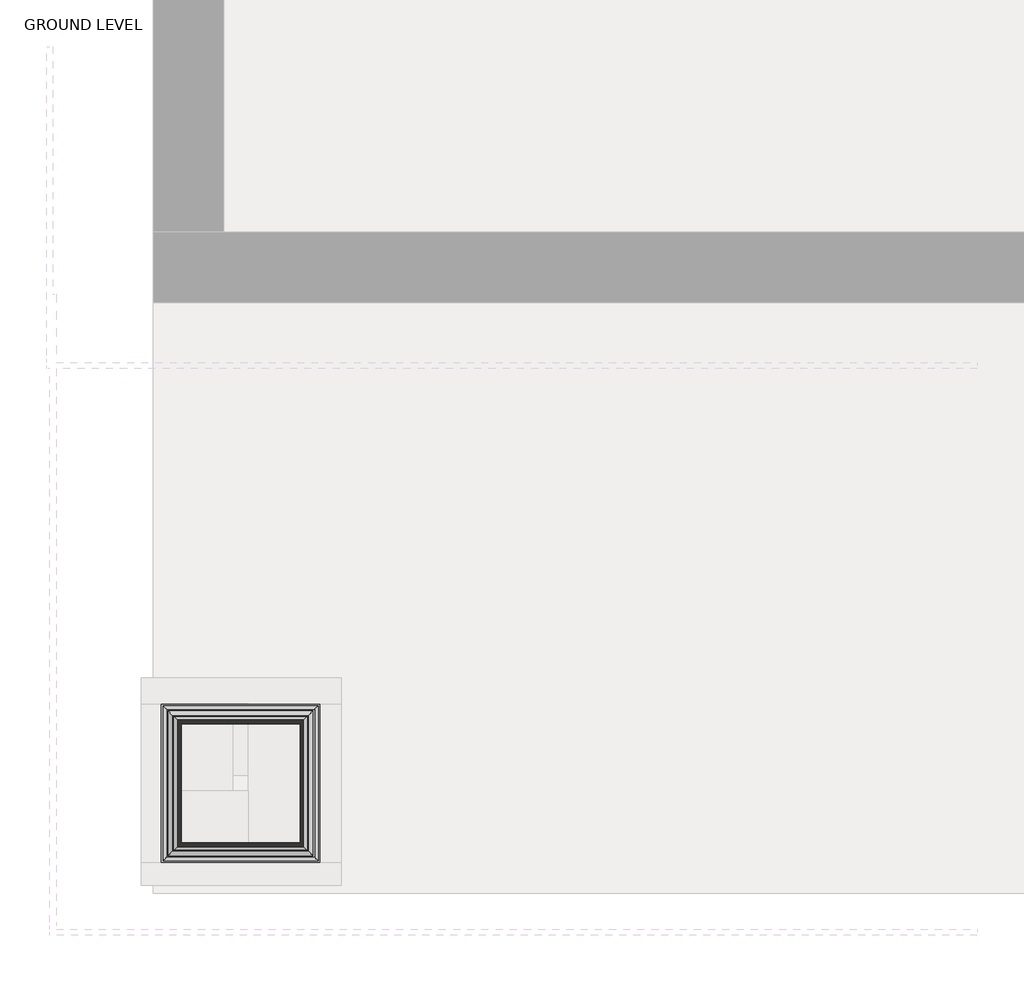
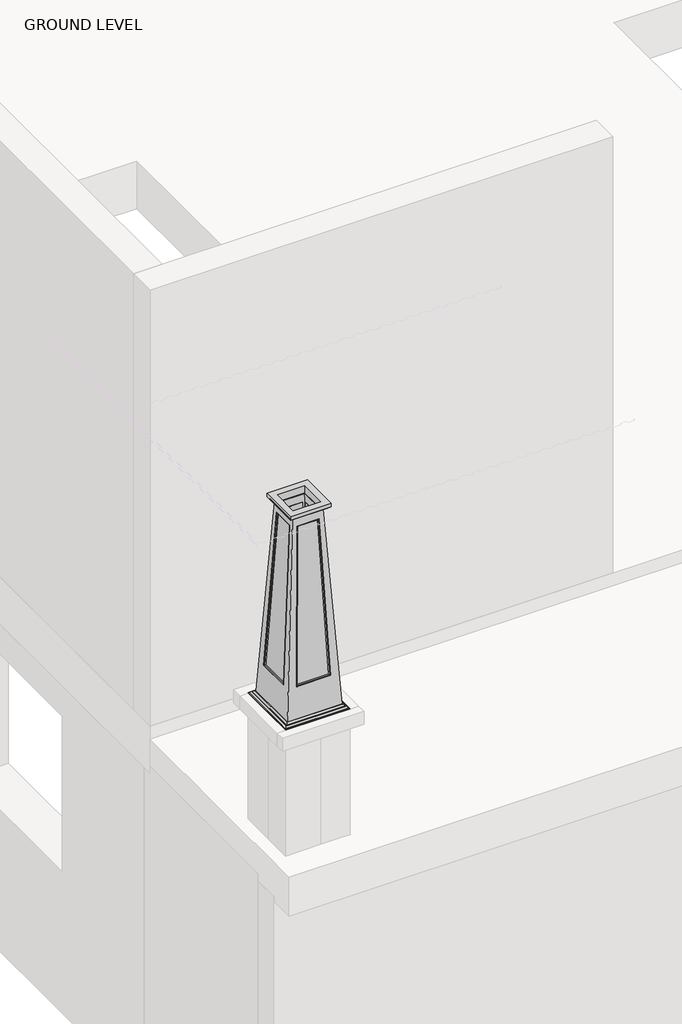
# One storey, part 4 of 7: 1 column.
"""IFC4 building model written with IfcOpenShell, lengths in millimetres."""

from ifc_helpers import new_model, si_unit, frame, origin, place, context, project, spatial, polyline, ellipse_curve, faceted_brep, element, save
from ifc_brep_helpers import plane_surface, cylinder_surface, revolved_surface, advanced_brep

model = new_model("IFC4")

# Units and contexts
model_context = context("Model", 3, world=origin())
ifc_project = project(units=[si_unit("LENGTHUNIT", "METRE", prefix="MILLI")], contexts=[model_context])

# Site, building, storey
site = spatial("IfcSite", under=ifc_project)
building = spatial("IfcBuilding", under=site)
storey = spatial("IfcBuildingStorey", under=building, Name="GROUND LEVEL", Elevation=0.0)

# Column
placement = place(None, origin())
element("IfcColumn", 1, at=placement, inside=storey, context=model_context, shape_type="SolidModel", body=[
    advanced_brep(
    [(278.8272599, -6584.8408634, 994.2259064), (-202.1852401, -6584.8408634, 994.2259064), (-202.1852401, -6584.8408634, 990.6), (61.3397599, -6584.8408634, 990.6), (278.8272599, -6584.8408634, 990.6), (-197.3476106, -6580.0032339, 999.3180729), (-197.3476106, -6580.0032339, 994.2259064), (273.9896304, -6580.0032339, 994.2259064), (273.9896304, -6580.0032339, 999.3180729), (263.2958993, -6569.3095028, 1007.7203226), (-186.6538795, -6569.3095028, 1007.7203226), (-181.5616482, -6564.2172714, 1010.55953), (-181.5616482, -6564.2172714, 1007.7203226), (258.203668, -6564.2172714, 1007.7203226), (258.203668, -6564.2172714, 1010.55953), (245.2184231, -6551.2320265, 1020.960137), (-168.5764032, -6551.2320265, 1020.960137), (278.8272599, -6103.8283634, 994.2259064), (278.8272599, -6103.8283634, 990.6), (273.9896304, -6108.6659928, 994.2259064), (273.9896304, -6108.6659928, 999.3180729), (263.2958993, -6119.359724, 1007.7203226), (258.203668, -6124.4519553, 1007.7203226), (258.203668, -6124.4519553, 1010.55953), (245.2184231, -6137.4372002, 1020.960137), (-202.1852401, -6103.8283634, 994.2259064), (61.3397599, -6103.8283634, 990.6), (15.3022599, -6103.8283634, 990.6), (-202.1852401, -6103.8283634, 990.6), (-197.3476106, -6108.6659928, 994.2259064), (-197.3476106, -6108.6659928, 999.3180729), (-186.6538795, -6119.359724, 1007.7203226), (-181.5616482, -6124.4519553, 1007.7203226), (-181.5616482, -6124.4519553, 1010.55953), (-168.5764032, -6137.4372002, 1020.960137), (-202.1852401, -6367.3533634, 990.6), (-152.1789901, -6534.8346134, 1020.960137), (228.8210099, -6534.8346134, 1020.960137), (228.8210099, -6534.8346134, 990.6), (61.3397599, -6534.8346134, 990.6), (-152.1789901, -6534.8346134, 990.6), (228.8210099, -6153.8346134, 1020.960137), (228.8210099, -6153.8346134, 990.6), (-152.1789901, -6153.8346134, 1020.960137), (-152.1789901, -6153.8346134, 990.6), (15.3022599, -6153.8346134, 990.6), (61.3397599, -6153.8346134, 990.6), (-152.1789901, -6367.3533634, 990.6)],
    [
        (0, 1),
        (1, 2),
        (2, 3),
        (3, 4),
        (4, 0),
        (5, 6),
        (6, 7),
        (7, 8),
        (8, 5),
        (8, 9, ellipse_curve(frame((274.838947, -6580.8525504, 1011.4052173), z_axis=(0.7071067811865475, 0.7071067811865475, 0.0), x_axis=(0.7071067811865476, -0.7071067811865474, 0.0)), 17.1359504, 12.1169467)),
        (9, 10),
        (10, 5, ellipse_curve(frame((-198.1969271, -6580.8525504, 1011.4052173), z_axis=(-0.7071067811865475, 0.7071067811865475, 0.0), x_axis=(0.7071067811865476, 0.7071067811865474, 0.0)), 17.1359504, 12.1169467)),
        (11, 12),
        (12, 13),
        (13, 14),
        (14, 11),
        (14, 15, ellipse_curve(frame((240.0466395, -6546.060243, 1001.196725), z_axis=(-0.7071067811865475, -0.7071067811865475, 0.0), x_axis=(-0.7071067811865476, 0.7071067811865474, 0.0)), 28.8908221, 20.4288962)),
        (15, 16),
        (16, 11, ellipse_curve(frame((-163.4046197, -6546.060243, 1001.196725), z_axis=(0.7071067811865475, -0.7071067811865475, 0.0), x_axis=(-0.7071067811865476, -0.7071067811865474, 0.0)), 28.8908221, 20.4288962)),
        (17, 0),
        (4, 18),
        (18, 17),
        (7, 19),
        (19, 20),
        (20, 8),
        (20, 21, ellipse_curve(frame((274.838947, -6107.8166763, 1011.4052173), z_axis=(-0.7071067811865475, 0.7071067811865475, 0.0), x_axis=(0.7071067811865474, 0.7071067811865476, 0.0)), 17.1359504, 12.1169467)),
        (21, 9),
        (13, 22),
        (22, 23),
        (23, 14),
        (23, 24, ellipse_curve(frame((240.0466395, -6142.6089838, 1001.196725), z_axis=(0.7071067811865475, -0.7071067811865475, 0.0), x_axis=(-0.7071067811865474, -0.7071067811865476, 0.0)), 28.8908221, 20.4288962)),
        (24, 15),
        (25, 17),
        (18, 26),
        (26, 27),
        (27, 28),
        (28, 25),
        (19, 29),
        (29, 30),
        (30, 20),
        (30, 31, ellipse_curve(frame((-198.1969271, -6107.8166763, 1011.4052173), z_axis=(-0.7071067811865475, -0.7071067811865475, 0.0), x_axis=(-0.7071067811865476, 0.7071067811865474, 0.0)), 17.1359504, 12.1169467)),
        (31, 21),
        (22, 32),
        (32, 33),
        (33, 23),
        (33, 34, ellipse_curve(frame((-163.4046197, -6142.6089838, 1001.196725), z_axis=(0.7071067811865475, 0.7071067811865475, 0.0), x_axis=(0.7071067811865476, -0.7071067811865474, 0.0)), 28.8908221, 20.4288962)),
        (34, 24),
        (1, 25),
        (28, 35),
        (35, 2),
        (6, 29),
        (5, 30),
        (10, 31),
        (12, 32),
        (11, 33),
        (16, 34),
        (36, 37),
        (37, 38),
        (38, 39),
        (39, 40),
        (40, 36),
        (37, 41),
        (41, 42),
        (42, 38),
        (41, 43),
        (43, 44),
        (44, 45),
        (45, 46),
        (46, 42),
        (36, 43),
        (40, 47),
        (47, 44),
        (3, 39),
        (46, 26),
        (35, 47),
        (27, 45),
    ],
    [
        plane_surface(frame((-202.1852401, -6584.8408634, 965.2), z_axis=(0.0, -1.0, 0.0), x_axis=(1.0, 0.0, 0.0))),
        plane_surface(frame((-197.3476106, -6580.0032339, 994.2259064), z_axis=(0.0, -1.0, 0.0), x_axis=(1.0, 0.0, 0.0))),
        revolved_surface(polyline([(286.9558937299164, -6568.7356037, 1011.4052173), (-210.31387382991636, -6568.7356037, 1011.4052173)]), (-168.5764032, -6580.8525504, 1011.4052173), (1.0, 0.0, 0.0)),
        plane_surface(frame((-181.5616482, -6564.2172714, 1007.7203226), z_axis=(0.0, -1.0, 0.0), x_axis=(1.0, 0.0, 0.0))),
        cylinder_surface(frame((-168.5764032, -6546.060243, 1001.196725), z_axis=(-1.0, 0.0, 0.0), x_axis=(0.0, 1.0, 0.0)), 20.4288962),
        plane_surface(frame((278.8272599, -6584.8408634, 965.2), z_axis=(1.0, 0.0, 0.0), x_axis=(0.0, 1.0, 0.0))),
        plane_surface(frame((273.9896304, -6580.0032339, 994.2259064), z_axis=(1.0, 0.0, 0.0), x_axis=(0.0, 1.0, 0.0))),
        revolved_surface(polyline([(262.7220003, -6095.699729570084, 1011.4052173), (262.7220003, -6592.969497129916, 1011.4052173)]), (274.838947, -6551.2320265, 1011.4052173), (0.0, 1.0, 0.0)),
        plane_surface(frame((258.203668, -6564.2172714, 1007.7203226), z_axis=(1.0, 0.0, 0.0), x_axis=(0.0, 1.0, 0.0))),
        cylinder_surface(frame((240.0466395, -6551.2320265, 1001.196725), z_axis=(0.0, -1.0, 0.0), x_axis=(-1.0, 0.0, 0.0)), 20.4288962),
        plane_surface(frame((278.8272599, -6103.8283634, 965.2), z_axis=(0.0, 1.0, 0.0), x_axis=(-1.0, 0.0, 0.0))),
        plane_surface(frame((273.9896304, -6108.6659928, 994.2259064), z_axis=(0.0, 1.0, 0.0), x_axis=(-1.0, 0.0, 0.0))),
        revolved_surface(polyline([(-210.31387382991636, -6119.933623, 1011.4052173), (286.95589372991634, -6119.933623, 1011.4052173)]), (245.2184231, -6107.8166763, 1011.4052173), (-1.0, 0.0, 0.0)),
        plane_surface(frame((258.203668, -6124.4519553, 1007.7203226), z_axis=(0.0, 1.0, 0.0), x_axis=(-1.0, 0.0, 0.0))),
        cylinder_surface(frame((245.2184231, -6142.6089838, 1001.196725), z_axis=(1.0, 0.0, 0.0), x_axis=(0.0, -1.0, 0.0)), 20.4288962),
        plane_surface(frame((-202.1852401, -6103.8283634, 965.2), z_axis=(-1.0, 0.0, 0.0), x_axis=(0.0, -1.0, 0.0))),
        plane_surface(frame((-202.1852401, -6103.8283634, 994.2259064), z_axis=(0.0, 0.0, 1.0), x_axis=(0.0, -1.0, 0.0))),
        plane_surface(frame((-197.3476106, -6108.6659928, 994.2259064), z_axis=(-1.0, 0.0, 0.0), x_axis=(0.0, -1.0, 0.0))),
        revolved_surface(polyline([(-186.0799804, -6592.969497129916, 1011.4052173), (-186.0799804, -6095.699729570084, 1011.4052173)]), (-198.1969271, -6137.4372002, 1011.4052173), (0.0, -1.0, 0.0)),
        plane_surface(frame((-186.6538795, -6119.359724, 1007.7203226), z_axis=(0.0, 0.0, 1.0), x_axis=(0.0, -1.0, 0.0))),
        plane_surface(frame((-181.5616482, -6124.4519553, 1007.7203226), z_axis=(-1.0, 0.0, 0.0), x_axis=(0.0, -1.0, 0.0))),
        cylinder_surface(frame((-163.4046197, -6137.4372002, 1001.196725), z_axis=(0.0, 1.0, 0.0), x_axis=(1.0, 0.0, 0.0)), 20.4288962),
        plane_surface(frame((-152.1789901, -6534.8346134, 1020.960137), z_axis=(0.0, 1.0, 0.0), x_axis=(1.0, 0.0, 0.0))),
        plane_surface(frame((228.8210099, -6534.8346134, 1020.960137), z_axis=(-1.0, 0.0, 0.0), x_axis=(0.0, 1.0, 0.0))),
        plane_surface(frame((228.8210099, -6153.8346134, 1020.960137), z_axis=(0.0, -1.0, 0.0), x_axis=(-1.0, 0.0, 0.0))),
        plane_surface(frame((-168.5764032, -6137.4372002, 1020.960137), z_axis=(0.0, 0.0, 1.0), x_axis=(0.0, -1.0, 0.0))),
        plane_surface(frame((-152.1789901, -6153.8346134, 1020.960137), z_axis=(1.0, 0.0, 0.0), x_axis=(0.0, -1.0, 0.0))),
        plane_surface(frame((61.3397599, -6476.0971134, 990.6), z_axis=(0.0, 0.0, -1.0), x_axis=(1.0, 0.0, 0.0))),
        plane_surface(frame((-93.4414901, -6367.3533634, 990.6), z_axis=(0.0, 0.0, -1.0), x_axis=(0.0, -1.0, 0.0))),
        plane_surface(frame((15.3022599, -6211.3440959, 990.6), z_axis=(0.0, 0.0, -1.0), x_axis=(-1.0, 0.0, 0.0))),
        plane_surface(frame((169.7246216, -6320.9569731, 990.6), z_axis=(0.0, 0.0, -1.0), x_axis=(0.003300312059210714, 0.9999945539553262, 0.0))),
    ],
    [
        (0, [[1, 2, 3, 4, 5]]),
        (1, [[6, 7, 8, 9]]),
        (2, [[-9, 10, 11, 12]]),
        (3, [[13, 14, 15, 16]]),
        (4, [[-16, 17, 18, 19]]),
        (5, [[20, -5, 21, 22]]),
        (6, [[-8, 23, 24, 25]]),
        (7, [[-10, -25, 26, 27]]),
        (8, [[-15, 28, 29, 30]]),
        (9, [[-17, -30, 31, 32]]),
        (10, [[33, -22, 34, 35, 36, 37]]),
        (11, [[-24, 38, 39, 40]]),
        (12, [[-26, -40, 41, 42]]),
        (13, [[-29, 43, 44, 45]]),
        (14, [[-31, -45, 46, 47]]),
        (15, [[48, -37, 49, 50, -2]]),
        (16, [[-1, -20, -33, -48], [-7, 51, -38, -23]]),
        (17, [[-6, 52, -39, -51]]),
        (18, [[-12, 53, -41, -52]]),
        (19, [[-11, -27, -42, -53], [-14, 54, -43, -28]]),
        (20, [[-13, 55, -44, -54]]),
        (21, [[-19, 56, -46, -55]]),
        (22, [[57, 58, 59, 60, 61]]),
        (23, [[62, 63, 64, -58]]),
        (24, [[65, 66, 67, 68, 69, -63]]),
        (25, [[-18, -32, -47, -56], [-57, 70, -65, -62]]),
        (26, [[-70, -61, 71, 72, -66]]),
        (27, [[-4, 73, -59, -64, -69, 74, -34, -21]]),
        (28, [[-3, -50, 75, -71, -60, -73]]),
        (29, [[-36, 76, -67, -72, -75, -49]]),
        (30, [[-35, -74, -68, -76]]),
    ],
),
    advanced_brep(
    [(-92.6616482, -6475.3172714, 2545.44047), (-79.6764032, -6462.3320265, 2535.039863), (156.3184231, -6462.3320265, 2535.039863), (169.303668, -6475.3172714, 2545.44047), (-92.6616482, -6475.3172714, 2548.2796774), (169.303668, -6475.3172714, 2548.2796774), (-108.4476106, -6491.1032339, 2556.6819271), (-97.7538795, -6480.4095028, 2548.2796774), (174.3958993, -6480.4095028, 2548.2796774), (185.0896304, -6491.1032339, 2556.6819271), (-108.4476106, -6491.1032339, 2561.7740936), (185.0896304, -6491.1032339, 2561.7740936), (-113.2852401, -6495.9408634, 2590.8), (-113.2852401, -6495.9408634, 2561.7740936), (189.9272599, -6495.9408634, 2561.7740936), (189.9272599, -6495.9408634, 2590.8), (156.3184231, -6226.3372002, 2535.039863), (169.303668, -6213.3519553, 2545.44047), (169.303668, -6213.3519553, 2548.2796774), (174.3958993, -6208.259724, 2548.2796774), (185.0896304, -6197.5659928, 2556.6819271), (185.0896304, -6197.5659928, 2561.7740936), (189.9272599, -6192.7283634, 2561.7740936), (189.9272599, -6192.7283634, 2590.8), (-79.6764032, -6226.3372002, 2535.039863), (-92.6616482, -6213.3519553, 2545.44047), (-92.6616482, -6213.3519553, 2548.2796774), (-97.7538795, -6208.259724, 2548.2796774), (-108.4476106, -6197.5659928, 2556.6819271), (-108.4476106, -6197.5659928, 2561.7740936), (-113.2852401, -6192.7283634, 2561.7740936), (-113.2852401, -6192.7283634, 2590.8), (-63.5336276, -6446.1892509, 2590.8), (-63.5336276, -6242.4799758, 2590.8), (140.1756475, -6242.4799758, 2590.8), (140.1756475, -6446.1892509, 2590.8), (-63.5336276, -6446.1892509, 2535.039863), (140.1756475, -6446.1892509, 2535.039863), (140.1756475, -6242.4799758, 2535.039863), (-63.5336276, -6242.4799758, 2535.039863)],
    [
        (0, 1, ellipse_curve(frame((-71.3296197, -6453.985243, 2558.767289), z_axis=(0.7071067811865475, -0.7071067811865475, 0.0), x_axis=(-0.7071067811865476, -0.7071067811865474, 0.0)), 35.5713239, 25.1527244)),
        (1, 2),
        (2, 3, ellipse_curve(frame((147.9716395, -6453.985243, 2558.767289), z_axis=(-0.7071067811865475, -0.7071067811865475, 0.0), x_axis=(-0.7071067811865476, 0.7071067811865474, 0.0)), 35.5713239, 25.1527244)),
        (3, 0),
        (4, 0),
        (3, 5),
        (5, 4),
        (6, 7, ellipse_curve(frame((-109.2969271, -6491.9525504, 2544.5947827), z_axis=(-0.7071067811865475, 0.7071067811865475, 0.0), x_axis=(0.7071067811865476, 0.7071067811865474, 0.0)), 17.1359504, 12.1169467)),
        (7, 8),
        (8, 9, ellipse_curve(frame((185.938947, -6491.9525504, 2544.5947827), z_axis=(0.7071067811865475, 0.7071067811865475, 0.0), x_axis=(0.7071067811865476, -0.7071067811865474, 0.0)), 17.1359504, 12.1169467)),
        (9, 6),
        (10, 6),
        (9, 11),
        (11, 10),
        (12, 13),
        (13, 14),
        (14, 15),
        (15, 12),
        (2, 16),
        (16, 17, ellipse_curve(frame((147.9716395, -6234.6839838, 2558.767289), z_axis=(0.7071067811865475, -0.7071067811865475, 0.0), x_axis=(-0.7071067811865474, -0.7071067811865476, 0.0)), 35.5713239, 25.1527244)),
        (17, 3),
        (17, 18),
        (18, 5),
        (8, 19),
        (19, 20, ellipse_curve(frame((185.938947, -6196.7166763, 2544.5947827), z_axis=(-0.7071067811865475, 0.7071067811865475, 0.0), x_axis=(0.7071067811865474, 0.7071067811865476, 0.0)), 17.1359504, 12.1169467)),
        (20, 9),
        (20, 21),
        (21, 11),
        (14, 22),
        (22, 23),
        (23, 15),
        (16, 24),
        (24, 25, ellipse_curve(frame((-71.3296197, -6234.6839838, 2558.767289), z_axis=(0.7071067811865475, 0.7071067811865475, 0.0), x_axis=(0.7071067811865476, -0.7071067811865474, 0.0)), 35.5713239, 25.1527244)),
        (25, 17),
        (25, 26),
        (26, 18),
        (19, 27),
        (27, 28, ellipse_curve(frame((-109.2969271, -6196.7166763, 2544.5947827), z_axis=(-0.7071067811865475, -0.7071067811865475, 0.0), x_axis=(-0.7071067811865476, 0.7071067811865474, 0.0)), 17.1359504, 12.1169467)),
        (28, 20),
        (28, 29),
        (29, 21),
        (22, 30),
        (30, 31),
        (31, 23),
        (24, 1),
        (0, 25),
        (4, 26),
        (7, 27),
        (6, 28),
        (10, 29),
        (13, 30),
        (12, 31),
        (32, 33),
        (33, 34),
        (34, 35),
        (35, 32),
        (36, 32),
        (35, 37),
        (37, 36),
        (34, 38),
        (38, 37),
        (33, 39),
        (39, 38),
        (36, 39),
    ],
    [
        cylinder_surface(frame((-79.6764032, -6453.985243, 2558.767289), z_axis=(-1.0, 0.0, 0.0), x_axis=(0.0, 1.0, 0.0)), 25.1527244),
        plane_surface(frame((-92.6616482, -6475.3172714, 2545.44047), z_axis=(0.0, -1.0, 0.0), x_axis=(1.0, 0.0, 0.0))),
        revolved_surface(polyline([(198.05589372991636, -6479.8356037, 2544.5947827), (-121.41387382991634, -6479.8356037, 2544.5947827)]), (-79.6764032, -6491.9525504, 2544.5947827), (1.0, 0.0, 0.0)),
        plane_surface(frame((-108.4476106, -6491.1032339, 2556.6819271), z_axis=(0.0, -1.0, 0.0), x_axis=(1.0, 0.0, 0.0))),
        plane_surface(frame((-113.2852401, -6495.9408634, 2561.7740936), z_axis=(0.0, -1.0, 0.0), x_axis=(1.0, 0.0, 0.0))),
        cylinder_surface(frame((147.9716395, -6462.3320265, 2558.767289), z_axis=(0.0, -1.0, 0.0), x_axis=(-1.0, 0.0, 0.0)), 25.1527244),
        plane_surface(frame((169.303668, -6475.3172714, 2545.44047), z_axis=(1.0, 0.0, 0.0), x_axis=(0.0, 1.0, 0.0))),
        revolved_surface(polyline([(173.8220003, -6184.599729570084, 2544.5947827), (173.8220003, -6504.069497129916, 2544.5947827)]), (185.938947, -6462.3320265, 2544.5947827), (0.0, 1.0, 0.0)),
        plane_surface(frame((185.0896304, -6491.1032339, 2556.6819271), z_axis=(1.0, 0.0, 0.0), x_axis=(0.0, 1.0, 0.0))),
        plane_surface(frame((189.9272599, -6495.9408634, 2561.7740936), z_axis=(1.0, 0.0, 0.0), x_axis=(0.0, 1.0, 0.0))),
        cylinder_surface(frame((156.3184231, -6234.6839838, 2558.767289), z_axis=(1.0, 0.0, 0.0), x_axis=(0.0, -1.0, 0.0)), 25.1527244),
        plane_surface(frame((169.303668, -6213.3519553, 2545.44047), z_axis=(0.0, 1.0, 0.0), x_axis=(-1.0, 0.0, 0.0))),
        revolved_surface(polyline([(-121.4138738299163, -6208.8336229999995, 2544.5947827), (198.05589372991633, -6208.8336229999995, 2544.5947827)]), (156.3184231, -6196.7166763, 2544.5947827), (-1.0, 0.0, 0.0)),
        plane_surface(frame((185.0896304, -6197.5659928, 2556.6819271), z_axis=(0.0, 1.0, 0.0), x_axis=(-1.0, 0.0, 0.0))),
        plane_surface(frame((189.9272599, -6192.7283634, 2561.7740936), z_axis=(0.0, 1.0, 0.0), x_axis=(-1.0, 0.0, 0.0))),
        cylinder_surface(frame((-71.3296197, -6226.3372002, 2558.767289), z_axis=(0.0, 1.0, 0.0), x_axis=(1.0, 0.0, 0.0)), 25.1527244),
        plane_surface(frame((-92.6616482, -6213.3519553, 2545.44047), z_axis=(-1.0, 0.0, 0.0), x_axis=(0.0, -1.0, 0.0))),
        plane_surface(frame((-92.6616482, -6213.3519553, 2548.2796774), z_axis=(0.0, 0.0, -1.0), x_axis=(0.0, -1.0, 0.0))),
        revolved_surface(polyline([(-97.1799804, -6504.069497129916, 2544.5947827), (-97.1799804, -6184.599729570084, 2544.5947827)]), (-109.2969271, -6226.3372002, 2544.5947827), (0.0, -1.0, 0.0)),
        plane_surface(frame((-108.4476106, -6197.5659928, 2556.6819271), z_axis=(-1.0, 0.0, 0.0), x_axis=(0.0, -1.0, 0.0))),
        plane_surface(frame((-108.4476106, -6197.5659928, 2561.7740936), z_axis=(0.0, 0.0, -1.0), x_axis=(0.0, -1.0, 0.0))),
        plane_surface(frame((-113.2852401, -6192.7283634, 2561.7740936), z_axis=(-1.0, 0.0, 0.0), x_axis=(0.0, -1.0, 0.0))),
        plane_surface(frame((-113.2852401, -6192.7283634, 2590.8), z_axis=(0.0, 0.0, 1.0), x_axis=(0.0, -1.0, 0.0))),
        plane_surface(frame((-63.5336276, -6446.1892509, 2590.8), z_axis=(0.0, 1.0, 0.0), x_axis=(1.0, 0.0, 0.0))),
        plane_surface(frame((140.1756475, -6446.1892509, 2590.8), z_axis=(-1.0, 0.0, 0.0), x_axis=(0.0, 1.0, 0.0))),
        plane_surface(frame((140.1756475, -6242.4799758, 2590.8), z_axis=(0.0, -1.0, 0.0), x_axis=(-1.0, 0.0, 0.0))),
        plane_surface(frame((-63.5336276, -6242.4799758, 2590.8), z_axis=(1.0, 0.0, 0.0), x_axis=(0.0, -1.0, 0.0))),
        plane_surface(frame((-63.5336276, -6242.4799758, 2535.039863), z_axis=(0.0, 0.0, -1.0), x_axis=(0.0, -1.0, 0.0))),
    ],
    [
        (0, [[1, 2, 3, 4]]),
        (1, [[5, -4, 6, 7]]),
        (2, [[8, 9, 10, 11]]),
        (3, [[12, -11, 13, 14]]),
        (4, [[15, 16, 17, 18]]),
        (5, [[-3, 19, 20, 21]]),
        (6, [[-6, -21, 22, 23]]),
        (7, [[-10, 24, 25, 26]]),
        (8, [[-13, -26, 27, 28]]),
        (9, [[-17, 29, 30, 31]]),
        (10, [[-20, 32, 33, 34]]),
        (11, [[-22, -34, 35, 36]]),
        (12, [[-25, 37, 38, 39]]),
        (13, [[-27, -39, 40, 41]]),
        (14, [[-30, 42, 43, 44]]),
        (15, [[-33, 45, -1, 46]]),
        (16, [[-35, -46, -5, 47]]),
        (17, [[48, -37, -24, -9], [-23, -36, -47, -7]]),
        (18, [[-38, -48, -8, 49]]),
        (19, [[-40, -49, -12, 50]]),
        (20, [[51, -42, -29, -16], [-28, -41, -50, -14]]),
        (21, [[-43, -51, -15, 52]]),
        (22, [[-31, -44, -52, -18], [53, 54, 55, 56]]),
        (23, [[57, -56, 58, 59]]),
        (24, [[-58, -55, 60, 61]]),
        (25, [[-60, -54, 62, 63]]),
        (26, [[-62, -53, -57, 64]]),
        (27, [[-45, -32, -19, -2], [-61, -63, -64, -59]]),
    ],
),
    faceted_brep([(152.6210099, -6230.0346134, 2535.2375), (-75.9789901, -6230.0346134, 2535.2375), (-75.9789901, -6458.6346134, 2535.2375), (152.6210099, -6458.6346134, 2535.2375), (-58.5164901, -6247.4971134, 2535.2375), (135.1585099, -6247.4971134, 2535.2375), (135.1585099, -6441.1721134, 2535.2375), (-58.5164901, -6441.1721134, 2535.2375), (241.5210099, -6141.1346134, 1020.7625), (241.5210099, -6547.5346134, 1020.7625), (-164.8789901, -6547.5346134, 1020.7625), (-164.8789901, -6141.1346134, 1020.7625), (228.8210099, -6153.8346134, 1020.7625), (-152.1789901, -6153.8346134, 1020.7625), (-152.1789901, -6534.8346134, 1020.7625), (228.8210099, -6534.8346134, 1020.7625), (165.3210099, -6155.3921605, 1263.65), (120.8710099, -6226.2139635, 2470.15), (-44.2289901, -6226.2139635, 2470.15), (-88.6789901, -6155.3921605, 1263.65), (-150.6214429, -6217.3346134, 1263.65), (-79.79964, -6261.7846134, 2470.15), (-79.79964, -6426.8846134, 2470.15), (-150.6214429, -6471.3346134, 1263.65), (120.8710099, -6462.4552633, 2470.15), (165.3210099, -6533.2770662, 1263.65), (-88.6789901, -6533.2770662, 1263.65), (-44.2289901, -6462.4552633, 2470.15), (156.4416598, -6261.7846134, 2470.15), (227.2634627, -6217.3346134, 1263.65), (227.2634627, -6471.3346134, 1263.65), (156.4416598, -6426.8846134, 2470.15), (120.8710099, -6243.4717858, 2470.15), (165.3210099, -6168.8559577, 1263.65), (-88.6789901, -6168.8559577, 1263.65), (-44.2289901, -6243.4717858, 2470.15), (-62.5418176, -6261.7846134, 2470.15), (-137.1576457, -6217.3346134, 1263.65), (-137.1576457, -6471.3346134, 1263.65), (-62.5418176, -6426.8846134, 2470.15), (165.3210099, -6519.813269, 1263.65), (120.8710099, -6445.1974409, 2470.15), (-44.2289901, -6445.1974409, 2470.15), (-88.6789901, -6519.813269, 1263.65), (213.7996656, -6217.3346134, 1263.65), (139.1838375, -6261.7846134, 2470.15), (139.1838375, -6426.8846134, 2470.15), (213.7996656, -6471.3346134, 1263.65)], [[[0, 1, 2, 3], [4, 5, 6, 7]], [[8, 9, 10, 11], [12, 13, 14, 15]], [[1, 0, 8, 11], [16, 17, 18, 19]], [[2, 1, 11, 10], [20, 21, 22, 23]], [[3, 2, 10, 9], [24, 25, 26, 27]], [[0, 3, 9, 8], [28, 29, 30, 31]], [[12, 5, 4, 13], [32, 33, 34, 35]], [[13, 4, 7, 14], [36, 37, 38, 39]], [[14, 7, 6, 15], [40, 41, 42, 43]], [[5, 12, 15, 6], [44, 45, 46, 47]], [[16, 33, 32, 17]], [[40, 25, 24, 41]], [[17, 32, 35, 18]], [[41, 24, 27, 42]], [[18, 35, 34, 19]], [[42, 27, 26, 43]], [[33, 16, 19, 34]], [[25, 40, 43, 26]], [[20, 37, 36, 21]], [[44, 29, 28, 45]], [[21, 36, 39, 22]], [[45, 28, 31, 46]], [[22, 39, 38, 23]], [[46, 31, 30, 47]], [[37, 20, 23, 38]], [[29, 44, 47, 30]]]),
    advanced_brep(
    [(120.8710099, -6462.4552633, 2470.15), (117.6601327, -6457.2536478, 2466.5077896), (161.8651021, -6527.6850455, 1266.6586217), (165.3210099, -6533.2770662, 1263.65), (121.5316826, -6450.7585757, 2470.15), (166.0321003, -6521.6607088, 1262.2815194), (111.7771745, -6450.7585757, 2460.0127176), (155.5331995, -6520.4746743, 1272.3491813), (-85.2230822, -6527.6850455, 1266.6586217), (-88.6789901, -6533.2770662, 1263.65), (-89.3900805, -6521.6607088, 1262.2815194), (-78.8911797, -6520.4746743, 1272.3491813), (-41.0181129, -6457.2536478, 2466.5077896), (-44.2289901, -6462.4552633, 2470.15), (-44.8896628, -6450.7585757, 2470.15), (-35.1351547, -6450.7585757, 2460.0127176)],
    [
        (0, 1, ellipse_curve(frame((123.2442026, -6457.0735692, 2472.300412), z_axis=(0.7199840086345254, -0.04066739299447458, -0.6927980877987413), x_axis=(0.6939906536190235, 0.04219058639505976, 0.718746775372997)), 8.0493743, 5.7954208)),
        (1, 2),
        (2, 3, ellipse_curve(frame((167.8753073, -6528.1839247, 1260.884713), z_axis=(0.6939906536190235, 0.04219058639505978, 0.718746775372997), x_axis=(-0.7199840086345254, 0.04066739299447456, 0.6927980877987413)), 8.3508629, 5.7954208)),
        (3, 0),
        (4, 0),
        (3, 5),
        (5, 4),
        (6, 4),
        (5, 7),
        (7, 6),
        (1, 6, ellipse_curve(frame((118.0269987, -6450.7585757, 2466.5077896), z_axis=(0.7199840086345254, -0.04066739299447458, -0.6927980877987413), x_axis=(0.6939906536190235, 0.04219058639505976, 0.718746775372997)), 9.0211338, 6.495072)),
        (7, 2, ellipse_curve(frame((162.2599646, -6521.2345801, 1265.8987159), z_axis=(0.6939906536190235, 0.04219058639505978, 0.718746775372997), x_axis=(-0.7199840086345254, 0.04066739299447456, 0.6927980877987413)), 9.3590195, 6.495072)),
        (2, 8),
        (8, 9, ellipse_curve(frame((-91.2332875, -6528.1839247, 1260.884713), z_axis=(0.693990653619024, -0.04219058639505973, -0.7187467753729965), x_axis=(0.719984008634525, 0.04066739299447458, 0.6927980877987417)), 8.3508629, 5.7954208)),
        (9, 3),
        (9, 10),
        (10, 5),
        (10, 11),
        (11, 7),
        (11, 8, ellipse_curve(frame((-85.6179447, -6521.2345801, 1265.8987159), z_axis=(0.693990653619024, -0.04219058639505973, -0.7187467753729965), x_axis=(0.719984008634525, 0.04066739299447458, 0.6927980877987417)), 9.3590195, 6.495072)),
        (8, 12),
        (12, 13, ellipse_curve(frame((-46.6021828, -6457.0735692, 2472.300412), z_axis=(-0.7199840086345248, -0.040667392994474576, -0.6927980877987419), x_axis=(0.693990653619024, -0.04219058639505975, -0.7187467753729965)), 8.0493743, 5.7954208)),
        (13, 9),
        (13, 14),
        (14, 10),
        (14, 15),
        (15, 11),
        (15, 12, ellipse_curve(frame((-41.3849789, -6450.7585757, 2466.5077896), z_axis=(-0.7199840086345248, -0.040667392994474576, -0.6927980877987419), x_axis=(0.693990653619024, -0.04219058639505975, -0.7187467753729965)), 9.0211338, 6.495072)),
        (12, 1),
        (0, 13),
        (4, 14),
        (6, 15),
    ],
    [
        cylinder_surface(frame((123.3314268, -6457.2125428, 2469.9328981), z_axis=(-0.03675394537888055, 0.058559745257754856, 0.9976070888553438), x_axis=(-0.0585597452577686, -0.9966923262940653, 0.0563485842046633)), 5.7954208),
        plane_surface(frame((120.8710099, -6462.4552633, 2470.15), z_axis=(0.9976070888553422, -0.056348584204686976, 0.04006161908481538), x_axis=(0.036753945378879986, -0.05855974525775485, -0.9976070888553435))),
        plane_surface(frame((121.5316826, -6450.7585757, 2470.15), z_axis=(0.05855974525776811, 0.9966923262940651, -0.05634858420466335), x_axis=(0.036753945378880035, -0.05855974525775485, -0.9976070888553434))),
        cylinder_surface(frame((117.9224701, -6450.5920312, 2469.3449954), z_axis=(-0.03675394537888055, 0.058559745257754856, 0.9976070888553438), x_axis=(-0.0585597452577686, -0.9966923262940653, 0.0563485842046633)), 6.495072),
        cylinder_surface(frame((165.3210099, -6528.1839247, 1260.884713), z_axis=(1.0000000000000002, 0.0, 0.0), x_axis=(0.0, -0.9931322351333464, 0.11699728004976763)), 5.7954208),
        plane_surface(frame((165.3210099, -6533.2770662, 1263.65), z_axis=(0.0, -0.11699728004977694, -0.9931322351333453), x_axis=(-1.0, 0.0, 0.0))),
        plane_surface(frame((166.0321003, -6521.6607088, 1262.2815194), z_axis=(0.0, 0.9931322351333464, -0.1169972800497671), x_axis=(-1.0, 0.0, 0.0))),
        cylinder_surface(frame((165.3210099, -6521.2345801, 1265.8987159), z_axis=(1.0000000000000002, 0.0, 0.0), x_axis=(0.0, -0.9931322351333464, 0.11699728004976763)), 6.495072),
        cylinder_surface(frame((-91.139407, -6528.0343457, 1263.4328981), z_axis=(-0.03675394537887974, -0.05855974525775483, -0.9976070888553435), x_axis=(0.058559745257768615, -0.9966923262940652, 0.05634858420466332)), 5.7954208),
        plane_surface(frame((-88.6789901, -6533.2770662, 1263.65), z_axis=(-0.9976070888553423, -0.05634858420468698, 0.04006161908481544), x_axis=(0.03675394537888004, 0.05855974525775484, 0.9976070888553435))),
        plane_surface(frame((-89.3900805, -6521.6607088, 1262.2815194), z_axis=(-0.058559745257768074, 0.9966923262940651, -0.056348584204663335), x_axis=(0.036753945378879965, 0.05855974525775483, 0.9976070888553434))),
        cylinder_surface(frame((-85.7304502, -6521.4138341, 1262.8449954), z_axis=(-0.03675394537887974, -0.05855974525775483, -0.9976070888553435), x_axis=(0.058559745257768615, -0.9966923262940652, 0.05634858420466332)), 6.495072),
        cylinder_surface(frame((-44.2289901, -6457.0735692, 2472.300412), z_axis=(-1.0, 0.0, 0.0), x_axis=(0.0, -1.0, 0.0)), 5.7954208),
        plane_surface(frame((-44.2289901, -6462.4552633, 2470.15), z_axis=(0.0, 0.0, 1.0), x_axis=(1.0, 0.0, 0.0))),
        plane_surface(frame((-44.8896628, -6450.7585757, 2470.15), z_axis=(0.0, 1.0, 0.0), x_axis=(1.0, 0.0, 0.0))),
        cylinder_surface(frame((-44.2289901, -6450.7585757, 2466.5077896), z_axis=(-1.0, 0.0, 0.0), x_axis=(0.0, -1.0, 0.0)), 6.495072),
    ],
    [
        (0, [[1, 2, 3, 4]]),
        (1, [[5, -4, 6, 7]]),
        (2, [[8, -7, 9, 10]]),
        (3, [[11, -10, 12, -2]]),
        (4, [[-3, 13, 14, 15]]),
        (5, [[-6, -15, 16, 17]]),
        (6, [[-9, -17, 18, 19]]),
        (7, [[-12, -19, 20, -13]]),
        (8, [[-14, 21, 22, 23]]),
        (9, [[-16, -23, 24, 25]]),
        (10, [[-18, -25, 26, 27]]),
        (11, [[-20, -27, 28, -21]]),
        (12, [[-22, 29, -1, 30]]),
        (13, [[-24, -30, -5, 31]]),
        (14, [[-26, -31, -8, 32]]),
        (15, [[-28, -32, -11, -29]]),
    ],
),
    advanced_brep(
    [(156.4416598, -6261.7846134, 2470.15), (151.2400443, -6264.9954906, 2466.5077896), (221.671442, -6220.7905212, 1266.6586217), (227.2634627, -6217.3346134, 1263.65), (144.7449723, -6261.1239406, 2470.15), (215.6471053, -6216.6235229, 1262.2815194), (144.7449723, -6270.8784488, 2460.0127176), (214.4610709, -6227.1224238, 1272.3491813), (221.671442, -6467.8787055, 1266.6586217), (227.2634627, -6471.3346134, 1263.65), (215.6471053, -6472.0457038, 1262.2815194), (214.4610709, -6461.546803, 1272.3491813), (151.2400443, -6423.6737362, 2466.5077896), (156.4416598, -6426.8846134, 2470.15), (144.7449723, -6427.5452861, 2470.15), (144.7449723, -6417.7907779, 2460.0127176)],
    [
        (0, 1, ellipse_curve(frame((151.0599658, -6259.4114207, 2472.300412), z_axis=(0.040667392994474603, 0.7199840086345253, -0.6927980877987415), x_axis=(-0.04219058639505975, 0.6939906536190237, 0.7187467753729968)), 8.0493743, 5.7954208)),
        (1, 2),
        (2, 3, ellipse_curve(frame((222.1703213, -6214.780316, 1260.884713), z_axis=(-0.0421905863950598, 0.6939906536190236, 0.718746775372997), x_axis=(-0.04066739299447456, -0.7199840086345255, 0.6927980877987413)), 8.3508629, 5.7954208)),
        (3, 0),
        (4, 0),
        (3, 5),
        (5, 4),
        (6, 4),
        (5, 7),
        (7, 6),
        (1, 6, ellipse_curve(frame((144.7449723, -6264.6286246, 2466.5077896), z_axis=(0.040667392994474603, 0.7199840086345253, -0.6927980877987415), x_axis=(-0.04219058639505975, 0.6939906536190237, 0.7187467753729968)), 9.0211338, 6.495072)),
        (7, 2, ellipse_curve(frame((215.2209766, -6220.3956587, 1265.8987159), z_axis=(-0.0421905863950598, 0.6939906536190236, 0.718746775372997), x_axis=(-0.04066739299447456, -0.7199840086345255, 0.6927980877987413)), 9.3590195, 6.495072)),
        (2, 8),
        (8, 9, ellipse_curve(frame((222.1703213, -6473.8889107, 1260.884713), z_axis=(0.04219058639505971, 0.6939906536190241, -0.7187467753729966), x_axis=(-0.0406673929944746, 0.7199840086345248, 0.6927980877987421)), 8.3508629, 5.7954208)),
        (9, 3),
        (9, 10),
        (10, 5),
        (10, 11),
        (11, 7),
        (11, 8, ellipse_curve(frame((215.2209766, -6468.273568, 1265.8987159), z_axis=(0.04219058639505971, 0.6939906536190241, -0.7187467753729966), x_axis=(-0.0406673929944746, 0.7199840086345248, 0.6927980877987421)), 9.3590195, 6.495072)),
        (8, 12),
        (12, 13, ellipse_curve(frame((151.0599658, -6429.257806, 2472.300412), z_axis=(0.04066739299447455, -0.719984008634525, -0.6927980877987416), x_axis=(0.042190586395059765, 0.6939906536190237, -0.7187467753729969)), 8.0493743, 5.7954208)),
        (13, 9),
        (13, 14),
        (14, 10),
        (14, 15),
        (15, 11),
        (15, 12, ellipse_curve(frame((144.7449723, -6424.0406022, 2466.5077896), z_axis=(0.04066739299447455, -0.719984008634525, -0.6927980877987416), x_axis=(0.042190586395059765, 0.6939906536190237, -0.7187467753729969)), 9.0211338, 6.495072)),
        (12, 1),
        (0, 13),
        (4, 14),
        (6, 15),
    ],
    [
        cylinder_surface(frame((151.1989394, -6259.3241965, 2469.9328981), z_axis=(-0.058559745257754856, -0.0367539453788804, 0.9976070888553435), x_axis=(0.9966923262940655, -0.05855974525776502, 0.05634858420466346)), 5.7954208),
        plane_surface(frame((156.4416598, -6261.7846134, 2470.15), z_axis=(0.05634858420466386, 0.9976070888553434, 0.040061619084814086), x_axis=(0.058559745257754856, 0.03675394537888001, -0.9976070888553435))),
        plane_surface(frame((144.7449723, -6261.1239406, 2470.15), z_axis=(-0.9966923262940653, 0.05855974525776483, -0.05634858420466349), x_axis=(0.05855974525775485, 0.036753945378879924, -0.9976070888553434))),
        cylinder_surface(frame((144.5784277, -6264.7331532, 2469.3449954), z_axis=(-0.058559745257754856, -0.0367539453788804, 0.9976070888553435), x_axis=(0.9966923262940655, -0.05855974525776502, 0.05634858420466346)), 6.495072),
        cylinder_surface(frame((222.1703213, -6217.3346134, 1260.884713), z_axis=(0.0, 1.0, 0.0), x_axis=(0.9931322351333467, 0.0, 0.11699728004976405)), 5.7954208),
        plane_surface(frame((227.2634627, -6217.3346134, 1263.65), z_axis=(0.11699728004975393, 0.0, -0.993132235133348), x_axis=(0.0, -1.0, 0.0))),
        plane_surface(frame((215.6471053, -6216.6235229, 1262.2815194), z_axis=(-0.9931322351333468, 0.0, -0.11699728004976391), x_axis=(0.0, -1.0, 0.0))),
        cylinder_surface(frame((215.2209766, -6217.3346134, 1265.8987159), z_axis=(0.0, 1.0, 0.0), x_axis=(0.9931322351333467, 0.0, 0.11699728004976405)), 6.495072),
        cylinder_surface(frame((222.0207423, -6473.7950302, 1263.4328981), z_axis=(0.05855974525775481, -0.03675394537887987, -0.9976070888553434), x_axis=(0.9966923262940653, 0.058559745257765, 0.056348584204663446)), 5.7954208),
        plane_surface(frame((227.2634627, -6471.3346134, 1263.65), z_axis=(0.05634858420466386, -0.9976070888553434, 0.040061619084814086), x_axis=(-0.05855974525775484, 0.03675394537888001, 0.9976070888553435))),
        plane_surface(frame((215.6471053, -6472.0457038, 1262.2815194), z_axis=(-0.9966923262940653, -0.05855974525776486, -0.05634858420466346), x_axis=(-0.05855974525775482, 0.03675394537887995, 0.9976070888553434))),
        cylinder_surface(frame((215.4002307, -6468.3860735, 1262.8449954), z_axis=(0.05855974525775481, -0.03675394537887987, -0.9976070888553434), x_axis=(0.9966923262940653, 0.058559745257765, 0.056348584204663446)), 6.495072),
        cylinder_surface(frame((151.0599658, -6426.8846134, 2472.300412), z_axis=(0.0, -1.0, 0.0), x_axis=(1.0, 0.0, 0.0)), 5.7954208),
        plane_surface(frame((156.4416598, -6426.8846134, 2470.15), z_axis=(0.0, 0.0, 1.0), x_axis=(0.0, 1.0, 0.0))),
        plane_surface(frame((144.7449723, -6427.5452861, 2470.15), z_axis=(-1.0, 0.0, 0.0), x_axis=(0.0, 1.0, 0.0))),
        cylinder_surface(frame((144.7449723, -6426.8846134, 2466.5077896), z_axis=(0.0, -1.0, 0.0), x_axis=(1.0, 0.0, 0.0)), 6.495072),
    ],
    [
        (0, [[1, 2, 3, 4]]),
        (1, [[5, -4, 6, 7]]),
        (2, [[8, -7, 9, 10]]),
        (3, [[11, -10, 12, -2]]),
        (4, [[-3, 13, 14, 15]]),
        (5, [[-6, -15, 16, 17]]),
        (6, [[-9, -17, 18, 19]]),
        (7, [[-12, -19, 20, -13]]),
        (8, [[-14, 21, 22, 23]]),
        (9, [[-16, -23, 24, 25]]),
        (10, [[-18, -25, 26, 27]]),
        (11, [[-20, -27, 28, -21]]),
        (12, [[-22, 29, -1, 30]]),
        (13, [[-24, -30, -5, 31]]),
        (14, [[-26, -31, -8, 32]]),
        (15, [[-28, -32, -11, -29]]),
    ],
),
    advanced_brep(
    [(-44.2289901, -6226.2139635, 2470.15), (-41.0181129, -6231.4155789, 2466.5077896), (-85.2230822, -6160.9841812, 1266.6586217), (-88.6789901, -6155.3921605, 1263.65), (-44.8896628, -6237.910651, 2470.15), (-89.3900805, -6167.008518, 1262.2815194), (-35.1351547, -6237.910651, 2460.0127176), (-78.8911797, -6168.1945524, 1272.3491813), (161.8651021, -6160.9841812, 1266.6586217), (165.3210099, -6155.3921605, 1263.65), (166.0321003, -6167.008518, 1262.2815194), (155.5331995, -6168.1945524, 1272.3491813), (117.6601327, -6231.4155789, 2466.5077896), (120.8710099, -6226.2139635, 2470.15), (121.5316826, -6237.910651, 2470.15), (111.7771745, -6237.910651, 2460.0127176)],
    [
        (0, 1, ellipse_curve(frame((-46.6021828, -6231.5956575, 2472.300412), z_axis=(-0.7199840086345254, 0.04066739299447456, -0.6927980877987415), x_axis=(-0.6939906536190238, -0.042190586395059765, 0.7187467753729968)), 8.0493743, 5.7954208)),
        (1, 2),
        (2, 3, ellipse_curve(frame((-91.2332875, -6160.485302, 1260.884713), z_axis=(-0.6939906536190237, -0.04219058639505974, 0.7187467753729969), x_axis=(0.7199840086345254, -0.0406673929944746, 0.6927980877987415)), 8.3508629, 5.7954208)),
        (3, 0),
        (4, 0),
        (3, 5),
        (5, 4),
        (6, 4),
        (5, 7),
        (7, 6),
        (1, 6, ellipse_curve(frame((-41.3849789, -6237.910651, 2466.5077896), z_axis=(-0.7199840086345254, 0.04066739299447456, -0.6927980877987415), x_axis=(-0.6939906536190238, -0.042190586395059765, 0.7187467753729968)), 9.0211338, 6.495072)),
        (7, 2, ellipse_curve(frame((-85.6179447, -6167.4346467, 1265.8987159), z_axis=(-0.6939906536190237, -0.04219058639505974, 0.7187467753729969), x_axis=(0.7199840086345254, -0.0406673929944746, 0.6927980877987415)), 9.3590195, 6.495072)),
        (2, 8),
        (8, 9, ellipse_curve(frame((167.8753073, -6160.485302, 1260.884713), z_axis=(-0.6939906536190241, 0.0421905863950598, -0.7187467753729966), x_axis=(-0.7199840086345248, -0.04066739299447461, 0.692798087798742)), 8.3508629, 5.7954208)),
        (9, 3),
        (9, 10),
        (10, 5),
        (10, 11),
        (11, 7),
        (11, 8, ellipse_curve(frame((162.2599646, -6167.4346467, 1265.8987159), z_axis=(-0.6939906536190241, 0.0421905863950598, -0.7187467753729966), x_axis=(-0.7199840086345248, -0.04066739299447461, 0.692798087798742)), 9.3590195, 6.495072)),
        (8, 12),
        (12, 13, ellipse_curve(frame((123.2442026, -6231.5956575, 2472.300412), z_axis=(0.719984008634525, 0.040667392994474624, -0.6927980877987416), x_axis=(-0.6939906536190237, 0.04219058639505978, -0.7187467753729968)), 8.0493743, 5.7954208)),
        (13, 9),
        (13, 14),
        (14, 10),
        (14, 15),
        (15, 11),
        (15, 12, ellipse_curve(frame((118.0269987, -6237.910651, 2466.5077896), z_axis=(0.719984008634525, 0.040667392994474624, -0.6927980877987416), x_axis=(-0.6939906536190237, 0.04219058639505978, -0.7187467753729968)), 9.0211338, 6.495072)),
        (12, 1),
        (0, 13),
        (4, 14),
        (6, 15),
    ],
    [
        cylinder_surface(frame((-46.689407, -6231.4566839, 2469.9328981), z_axis=(0.03675394537888037, -0.05855974525775483, 0.9976070888553434), x_axis=(0.05855974525774115, 0.9966923262940668, 0.0563485842046644)), 5.7954208),
        plane_surface(frame((-44.2289901, -6226.2139635, 2470.15), z_axis=(-0.9976070888553449, 0.05634858420464085, 0.04006161908481271), x_axis=(-0.03675394537887993, 0.05855974525775484, -0.9976070888553435))),
        plane_surface(frame((-44.8896628, -6237.910651, 2470.15), z_axis=(-0.0585597452577398, -0.9966923262940668, -0.05634858420466448), x_axis=(-0.036753945378880076, 0.05855974525775485, -0.9976070888553434))),
        cylinder_surface(frame((-41.2804502, -6238.0771956, 2469.3449954), z_axis=(0.03675394537888037, -0.05855974525775483, 0.9976070888553434), x_axis=(0.05855974525774115, 0.9966923262940668, 0.0563485842046644)), 6.495072),
        cylinder_surface(frame((-88.6789901, -6160.485302, 1260.884713), z_axis=(-1.0000000000000002, 0.0, 0.0), x_axis=(0.0, 0.9931322351333496, 0.11699728004974033)), 5.7954208),
        plane_surface(frame((-88.6789901, -6155.3921605, 1263.65), z_axis=(0.0, 0.11699728004973099, -0.9931322351333507), x_axis=(1.0, 0.0, 0.0))),
        plane_surface(frame((-89.3900805, -6167.008518, 1262.2815194), z_axis=(0.0, -0.9931322351333498, -0.11699728004973896), x_axis=(1.0, 0.0, 0.0))),
        cylinder_surface(frame((-88.6789901, -6167.4346467, 1265.8987159), z_axis=(-1.0000000000000002, 0.0, 0.0), x_axis=(0.0, 0.9931322351333496, 0.11699728004974033)), 6.495072),
        cylinder_surface(frame((167.7814268, -6160.634881, 1263.4328981), z_axis=(0.03675394537887993, 0.058559745257754876, -0.9976070888553434), x_axis=(-0.05855974525774117, 0.9966923262940668, 0.056348584204664466)), 5.7954208),
        plane_surface(frame((165.3210099, -6155.3921605, 1263.65), z_axis=(0.9976070888553449, 0.05634858420464084, 0.04006161908481279), x_axis=(-0.03675394537888001, -0.058559745257754856, 0.9976070888553435))),
        plane_surface(frame((166.0321003, -6167.008518, 1262.2815194), z_axis=(0.058559745257739756, -0.9966923262940668, -0.05634858420466446), x_axis=(-0.03675394537887997, -0.05855974525775482, 0.9976070888553434))),
        cylinder_surface(frame((162.3724701, -6167.2553926, 1262.8449954), z_axis=(0.03675394537887993, 0.058559745257754876, -0.9976070888553434), x_axis=(-0.05855974525774117, 0.9966923262940668, 0.056348584204664466)), 6.495072),
        cylinder_surface(frame((120.8710099, -6231.5956575, 2472.300412), z_axis=(1.0, 0.0, 0.0), x_axis=(0.0, 1.0, 0.0)), 5.7954208),
        plane_surface(frame((120.8710099, -6226.2139635, 2470.15), z_axis=(0.0, 0.0, 1.0), x_axis=(-1.0, 0.0, 0.0))),
        plane_surface(frame((121.5316826, -6237.910651, 2470.15), z_axis=(0.0, -1.0, 0.0), x_axis=(-1.0, 0.0, 0.0))),
        cylinder_surface(frame((120.8710099, -6237.910651, 2466.5077896), z_axis=(1.0, 0.0, 0.0), x_axis=(0.0, 1.0, 0.0)), 6.495072),
    ],
    [
        (0, [[1, 2, 3, 4]]),
        (1, [[5, -4, 6, 7]]),
        (2, [[8, -7, 9, 10]]),
        (3, [[11, -10, 12, -2]]),
        (4, [[-3, 13, 14, 15]]),
        (5, [[-6, -15, 16, 17]]),
        (6, [[-9, -17, 18, 19]]),
        (7, [[-12, -19, 20, -13]]),
        (8, [[-14, 21, 22, 23]]),
        (9, [[-16, -23, 24, 25]]),
        (10, [[-18, -25, 26, 27]]),
        (11, [[-20, -27, 28, -21]]),
        (12, [[-22, 29, -1, 30]]),
        (13, [[-24, -30, -5, 31]]),
        (14, [[-26, -31, -8, 32]]),
        (15, [[-28, -32, -11, -29]]),
    ],
),
    advanced_brep(
    [(-79.79964, -6426.8846134, 2470.15), (-74.5980245, -6423.6737362, 2466.5077896), (-145.0294222, -6467.8787055, 1266.6586217), (-150.6214429, -6471.3346134, 1263.65), (-68.1029525, -6427.5452861, 2470.15), (-139.0050855, -6472.0457038, 1262.2815194), (-68.1029525, -6417.7907779, 2460.0127176), (-137.819051, -6461.546803, 1272.3491813), (-145.0294222, -6220.7905212, 1266.6586217), (-150.6214429, -6217.3346134, 1263.65), (-139.0050855, -6216.6235229, 1262.2815194), (-137.819051, -6227.1224238, 1272.3491813), (-74.5980245, -6264.9954906, 2466.5077896), (-79.79964, -6261.7846134, 2470.15), (-68.1029525, -6261.1239406, 2470.15), (-68.1029525, -6270.8784488, 2460.0127176)],
    [
        (0, 1, ellipse_curve(frame((-74.417946, -6429.257806, 2472.300412), z_axis=(-0.040667392994474603, -0.7199840086345253, -0.6927980877987415), x_axis=(0.042190586395059744, -0.6939906536190238, 0.7187467753729969)), 8.0493743, 5.7954208)),
        (1, 2),
        (2, 3, ellipse_curve(frame((-145.5283015, -6473.8889107, 1260.884713), z_axis=(0.04219058639505979, -0.6939906536190236, 0.718746775372997), x_axis=(0.040667392994474555, 0.7199840086345255, 0.6927980877987413)), 8.3508629, 5.7954208)),
        (3, 0),
        (4, 0),
        (3, 5),
        (5, 4),
        (6, 4),
        (5, 7),
        (7, 6),
        (1, 6, ellipse_curve(frame((-68.1029525, -6424.0406022, 2466.5077896), z_axis=(-0.040667392994474603, -0.7199840086345253, -0.6927980877987415), x_axis=(0.042190586395059744, -0.6939906536190238, 0.7187467753729969)), 9.0211338, 6.495072)),
        (7, 2, ellipse_curve(frame((-138.5789568, -6468.273568, 1265.8987159), z_axis=(0.04219058639505979, -0.6939906536190236, 0.718746775372997), x_axis=(0.040667392994474555, 0.7199840086345255, 0.6927980877987413)), 9.3590195, 6.495072)),
        (2, 8),
        (8, 9, ellipse_curve(frame((-145.5283015, -6214.780316, 1260.884713), z_axis=(-0.04219058639505971, -0.693990653619024, -0.7187467753729965), x_axis=(0.040667392994474576, -0.719984008634525, 0.6927980877987417)), 8.3508629, 5.7954208)),
        (9, 3),
        (9, 10),
        (10, 5),
        (10, 11),
        (11, 7),
        (11, 8, ellipse_curve(frame((-138.5789568, -6220.3956587, 1265.8987159), z_axis=(-0.04219058639505971, -0.693990653619024, -0.7187467753729965), x_axis=(0.040667392994474576, -0.719984008634525, 0.6927980877987417)), 9.3590195, 6.495072)),
        (8, 12),
        (12, 13, ellipse_curve(frame((-74.417946, -6259.4114207, 2472.300412), z_axis=(-0.04066739299447454, 0.719984008634525, -0.6927980877987417), x_axis=(-0.04219058639505975, -0.6939906536190239, -0.7187467753729967)), 8.0493743, 5.7954208)),
        (13, 9),
        (13, 14),
        (14, 10),
        (14, 15),
        (15, 11),
        (15, 12, ellipse_curve(frame((-68.1029525, -6264.6286246, 2466.5077896), z_axis=(-0.04066739299447454, 0.719984008634525, -0.6927980877987417), x_axis=(-0.04219058639505975, -0.6939906536190239, -0.7187467753729967)), 9.0211338, 6.495072)),
        (12, 1),
        (0, 13),
        (4, 14),
        (6, 15),
    ],
    [
        cylinder_surface(frame((-74.5569195, -6429.3450302, 2469.9328981), z_axis=(0.05855974525775485, 0.03675394537888041, 0.9976070888553435), x_axis=(-0.9966923262940667, 0.05855974525774464, 0.05634858420466427)), 5.7954208),
        plane_surface(frame((-79.79964, -6426.8846134, 2470.15), z_axis=(-0.05634858420466386, -0.9976070888553435, 0.040061619084814155), x_axis=(-0.05855974525775482, -0.036753945378880076, -0.9976070888553435))),
        plane_surface(frame((-68.1029525, -6427.5452861, 2470.15), z_axis=(0.9966923262940666, -0.058559745257744836, -0.056348584204664265), x_axis=(-0.05855974525775483, -0.036753945378880014, -0.9976070888553434))),
        cylinder_surface(frame((-67.9364079, -6423.9360735, 2469.3449954), z_axis=(0.05855974525775485, 0.03675394537888041, 0.9976070888553435), x_axis=(-0.9966923262940667, 0.05855974525774464, 0.05634858420466427)), 6.495072),
        cylinder_surface(frame((-145.5283015, -6471.3346134, 1260.884713), z_axis=(0.0, -1.0000000000000002, 0.0), x_axis=(-0.9931322351333493, 0.0, 0.11699728004974379)), 5.7954208),
        plane_surface(frame((-150.6214429, -6471.3346134, 1263.65), z_axis=(-0.1169972800497539, 0.0, -0.9931322351333479), x_axis=(0.0, 1.0, 0.0))),
        plane_surface(frame((-139.0050855, -6472.0457038, 1262.2815194), z_axis=(0.9931322351333491, 0.0, -0.11699728004974397), x_axis=(0.0, 1.0, 0.0))),
        cylinder_surface(frame((-138.5789568, -6471.3346134, 1265.8987159), z_axis=(0.0, -1.0000000000000002, 0.0), x_axis=(-0.9931322351333493, 0.0, 0.11699728004974379)), 6.495072),
        cylinder_surface(frame((-145.3787225, -6214.8741965, 1263.4328981), z_axis=(-0.05855974525775482, 0.03675394537887986, -0.9976070888553438), x_axis=(-0.9966923262940667, -0.05855974525774466, 0.056348584204664265)), 5.7954208),
        plane_surface(frame((-150.6214429, -6217.3346134, 1263.65), z_axis=(-0.05634858420466388, 0.9976070888553435, 0.040061619084814044), x_axis=(0.05855974525775484, -0.03675394537887996, 0.9976070888553435))),
        plane_surface(frame((-139.0050855, -6216.6235229, 1262.2815194), z_axis=(0.9966923262940667, 0.058559745257744836, -0.056348584204664265), x_axis=(0.05855974525775482, -0.03675394537888004, 0.9976070888553434))),
        cylinder_surface(frame((-138.7582108, -6220.2831532, 1262.8449954), z_axis=(-0.05855974525775482, 0.03675394537887986, -0.9976070888553438), x_axis=(-0.9966923262940667, -0.05855974525774466, 0.056348584204664265)), 6.495072),
        cylinder_surface(frame((-74.417946, -6261.7846134, 2472.300412), z_axis=(0.0, 1.0, 0.0), x_axis=(-1.0, 0.0, 0.0)), 5.7954208),
        plane_surface(frame((-79.79964, -6261.7846134, 2470.15), z_axis=(0.0, 0.0, 1.0), x_axis=(0.0, -1.0, 0.0))),
        plane_surface(frame((-68.1029525, -6261.1239406, 2470.15), z_axis=(1.0, 0.0, 0.0), x_axis=(0.0, -1.0, 0.0))),
        cylinder_surface(frame((-68.1029525, -6261.7846134, 2466.5077896), z_axis=(0.0, 1.0, 0.0), x_axis=(-1.0, 0.0, 0.0)), 6.495072),
    ],
    [
        (0, [[1, 2, 3, 4]]),
        (1, [[5, -4, 6, 7]]),
        (2, [[8, -7, 9, 10]]),
        (3, [[11, -10, 12, -2]]),
        (4, [[-3, 13, 14, 15]]),
        (5, [[-6, -15, 16, 17]]),
        (6, [[-9, -17, 18, 19]]),
        (7, [[-12, -19, 20, -13]]),
        (8, [[-14, 21, 22, 23]]),
        (9, [[-16, -23, 24, 25]]),
        (10, [[-18, -25, 26, 27]]),
        (11, [[-20, -27, 28, -21]]),
        (12, [[-22, 29, -1, 30]]),
        (13, [[-24, -30, -5, 31]]),
        (14, [[-26, -31, -8, 32]]),
        (15, [[-28, -32, -11, -29]]),
    ],
),
    faceted_brep([(165.3210099, -6522.6513307, 1263.65), (-88.6789901, -6522.6513307, 1263.65), (-88.6789901, -6509.9352674, 1263.65), (165.3210099, -6509.9352674, 1263.65), (-44.2289901, -6441.6197972, 2470.15), (120.8710099, -6441.6197972, 2470.15), (-44.2289901, -6454.3358605, 2470.15), (120.8710099, -6454.3358605, 2470.15)], [[[0, 1, 2, 3]], [[3, 2, 4, 5]], [[5, 4, 6, 7]], [[1, 0, 7, 6]], [[0, 3, 5, 7]], [[2, 1, 6, 4]]]),
    faceted_brep([(120.8710099, -6234.3333662, 2470.15), (-44.2289901, -6234.3333662, 2470.15), (-44.2289901, -6247.0494295, 2470.15), (120.8710099, -6247.0494295, 2470.15), (-88.6789901, -6178.7339594, 1263.65), (165.3210099, -6178.7339594, 1263.65), (-88.6789901, -6166.0178961, 1263.65), (165.3210099, -6166.0178961, 1263.65)], [[[0, 1, 2, 3]], [[4, 5, 3, 2]], [[5, 4, 6, 7]], [[7, 6, 1, 0]], [[0, 3, 5, 7]], [[2, 1, 6, 4]]]),
    faceted_brep([(-139.9957074, -6471.3346134, 1263.65), (-139.9957074, -6217.3346134, 1263.65), (-127.2793379, -6217.3346134, 1263.65), (-127.2793379, -6471.3346134, 1263.65), (-58.9638677, -6261.7846134, 2470.15), (-58.9638677, -6426.8846134, 2470.15), (-71.6802372, -6261.7846134, 2470.15), (-71.6802372, -6426.8846134, 2470.15)], [[[0, 1, 2, 3]], [[3, 2, 4, 5]], [[5, 4, 6, 7]], [[1, 0, 7, 6]], [[2, 1, 6, 4]], [[0, 3, 5, 7]]]),
    faceted_brep([(148.322257, -6426.8846134, 2470.15), (148.322257, -6261.7846134, 2470.15), (135.6058875, -6261.7846134, 2470.15), (135.6058875, -6426.8846134, 2470.15), (203.9213577, -6217.3346134, 1263.65), (203.9213577, -6471.3346134, 1263.65), (216.6377272, -6217.3346134, 1263.65), (216.6377272, -6471.3346134, 1263.65)], [[[0, 1, 2, 3]], [[4, 5, 3, 2]], [[5, 4, 6, 7]], [[7, 6, 1, 0]], [[2, 1, 6, 4]], [[0, 3, 5, 7]]]),
])

save(model, "model.ifc")
